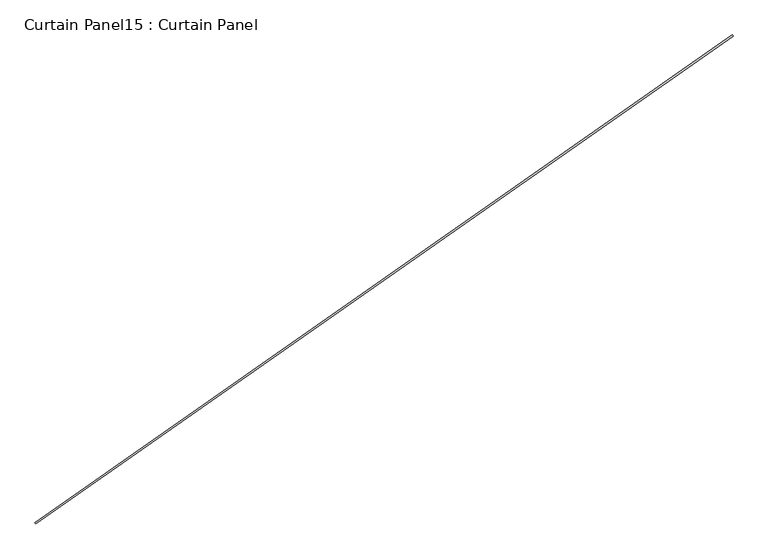
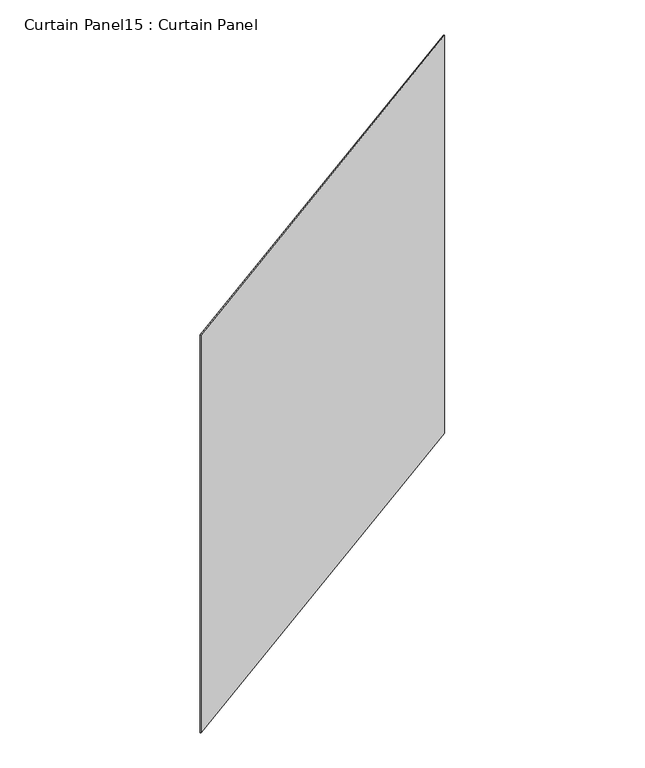
"""IFC4 building model written with IfcOpenShell, lengths in millimetres: plate geometry, Curtain Panel15 : Curtain Panel."""

from ifc_helpers import new_model, si_unit, frame, origin, place, context, project, spatial, polyline, outline, extrude, source, transform, mapped, element, save


def curtain_panel15_curtain_panel_77797b5e(model_context):
    return source(origin(), model_context, "Body", "SweptSolid", [
        extrude(outline(polyline([(-79219.2934674, 10925.6235892), (-82183.8604124, 8849.8114668), (-82187.5026227, 8855.0130823), (-79222.9356777, 10930.8252047), (-79219.2934674, 10925.6235892)])), frame((0.0, 0.0, 3048.0), z_axis=(0.0, 0.0, 1.0), x_axis=(1.0, 0.0, 0.0)), (0.0, 0.0, 1.0), 3048.0),
    ])


if __name__ == "__main__":
    model = new_model("IFC4")
    model_context = context("Model", 3, world=origin())
    ifc_project = project(units=[si_unit("LENGTHUNIT", "METRE", prefix="MILLI")], contexts=[model_context])
    site = spatial("IfcSite", under=ifc_project)
    building = spatial("IfcBuilding", under=site)
    placement = place(None, origin())
    curtain_panel15_curtain_panel_shape = curtain_panel15_curtain_panel_77797b5e(model_context)
    element("IfcPlate", 1, ObjectType="Curtain Panel15 : Curtain Panel", at=placement, inside=building, context=model_context, shape_type="MappedRepresentation", body=[
        mapped(curtain_panel15_curtain_panel_shape, transform((0.0, 0.0, 0.0), x_axis=(1.0, 0.0, 0.0), y_axis=(0.0, 1.0, 0.0), z_axis=(0.0, 0.0, 1.0))),
    ])
    save(model, "model.ifc")
